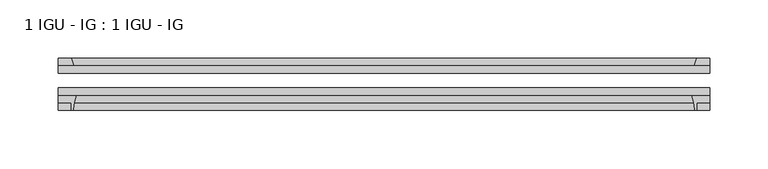
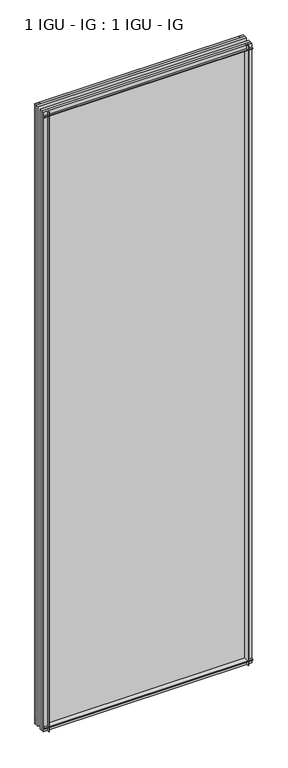
"""IFC4 building model written with IfcOpenShell, lengths in millimetres: plate geometry, 1 IGU - IG : 1 IGU - IG."""

from ifc_helpers import new_model, si_unit, point, frame, frame_2d, origin, place, context, project, spatial, polyline, circle_curve, trimmed, segment, composite_curve, outline, extrude, source, transform, mapped, element, save


def plate_1_igu_ig_1_igu_ig_00c2da52(model_context):
    return source(origin(), model_context, "Body", "SweptSolid", [
        extrude(outline(polyline([(260.35, -31.75), (260.35, -38.1), (-298.45, -38.1), (-298.45, -31.75), (260.35, -31.75)])), frame((0.0, 0.0, -11.1125), z_axis=(0.0, 0.0, 1.0), x_axis=(1.0, 0.0, 0.0)), (0.0, 0.0, 1.0), 1755.775),
        extrude(outline(polyline([(-298.45, -12.7), (260.35, -12.7), (260.35, -19.05), (-298.45, -19.05), (-298.45, -12.7)])), frame((0.0, 0.0, -11.1125), z_axis=(0.0, 0.0, 1.0), x_axis=(1.0, 0.0, 0.0)), (0.0, 0.0, 1.0), 1755.775),
        extrude(outline(composite_curve([segment(polyline([(-298.45, -38.1), (-283.1563207, -38.1)]), True, "CONTINUOUS"), segment(trimmed(circle_curve(frame_2d((-239.8973044, -53.3794536)), 45.8781451), [point((-283.1563207, -38.1))], [point((-285.6575572, -50.0925922))], True, "CARTESIAN"), True, "CONTINUOUS"), segment(trimmed(circle_curve(frame_2d((-286.4175991, -50.038)), 0.762), [point((-285.6575572, -50.0925922))], [point((-286.4175991, -50.8))], False, "CARTESIAN"), True, "CONTINUOUS"), segment(polyline([(-286.4175991, -50.8), (-287.3375, -50.8), (-287.3375, -44.45), (-298.45, -44.45), (-298.45, -38.1)]), True, "CONTINUOUS")], self_intersect=False)), frame((0.0, 0.0, -11.1125), z_axis=(0.0, 0.0, 1.0), x_axis=(1.0, 0.0, 0.0)), (0.0, 0.0, 1.0), 1755.775),
        extrude(outline(polyline([(-285.2322229, -12.7), (-298.45, -12.7), (-298.45, -6.35), (-287.3375, -6.35), (-285.2322229, -12.7)])), frame((0.0, 0.0, -11.1125), z_axis=(0.0, 0.0, 1.0), x_axis=(1.0, 0.0, 0.0)), (0.0, 0.0, 1.0), 1755.775),
        extrude(outline(polyline([(260.35, -12.7), (247.1322229, -12.7), (249.2375, -6.35), (260.35, -6.35), (260.35, -12.7)])), frame((0.0, 0.0, -11.1125), z_axis=(0.0, 0.0, 1.0), x_axis=(1.0, 0.0, 0.0)), (0.0, 0.0, 1.0), 1755.775),
        extrude(outline(composite_curve([segment(polyline([(245.0563207, -38.1), (260.35, -38.1), (260.35, -44.45), (249.2375, -44.45), (249.2375, -50.8), (248.3175991, -50.8)]), True, "CONTINUOUS"), segment(trimmed(circle_curve(frame_2d((248.3175991, -50.038)), 0.762), [point((248.3175991, -50.8))], [point((247.5575572, -50.0925922))], False, "CARTESIAN"), True, "CONTINUOUS"), segment(trimmed(circle_curve(frame_2d((201.7973044, -53.3794536)), 45.8781451), [point((247.5575572, -50.0925922))], [point((245.0563207, -38.1))], True, "CARTESIAN"), True, "CONTINUOUS")], self_intersect=False)), frame((0.0, 0.0, -11.1125), z_axis=(0.0, 0.0, 1.0), x_axis=(1.0, 0.0, 0.0)), (0.0, 0.0, 1.0), 1755.775),
        extrude(outline(polyline([(-12.7, -11.1125), (-12.7, 2.1052771), (-6.35, 0.0), (-6.35, -11.1125), (-12.7, -11.1125)])), frame((-298.45, 0.0, 0.0), z_axis=(1.0, 0.0, 0.0), x_axis=(0.0, 1.0, 0.0)), (0.0, 0.0, 1.0), 558.8),
        extrude(outline(composite_curve([segment(polyline([(-38.1, 4.1811793), (-38.1, -11.1125), (-44.45, -11.1125), (-44.45, 0.0), (-50.8, 0.0), (-50.8, 0.9199009)]), True, "CONTINUOUS"), segment(trimmed(circle_curve(frame_2d((-50.038, 0.9199009)), 0.762), [point((-50.8, 0.9199009))], [point((-50.0925922, 1.6799428))], False, "CARTESIAN"), True, "CONTINUOUS"), segment(trimmed(circle_curve(frame_2d((-53.3794536, 47.4401956)), 45.8781451), [point((-50.0925922, 1.6799428))], [point((-38.1, 4.1811793))], True, "CARTESIAN"), True, "CONTINUOUS")], self_intersect=False)), frame((-298.45, 0.0, 0.0), z_axis=(1.0, 0.0, 0.0), x_axis=(0.0, 1.0, 0.0)), (0.0, 0.0, 1.0), 558.8),
        extrude(outline(polyline([(-6.35, 1733.55), (-12.7, 1731.4447229), (-12.7, 1744.6625), (-6.35, 1744.6625), (-6.35, 1733.55)])), frame((-298.45, 0.0, 0.0), z_axis=(1.0, 0.0, 0.0), x_axis=(0.0, 1.0, 0.0)), (0.0, 0.0, 1.0), 558.8),
        extrude(outline(composite_curve([segment(polyline([(-38.1, 1744.6625), (-38.1, 1729.3688207)]), True, "CONTINUOUS"), segment(trimmed(circle_curve(frame_2d((-53.3794536, 1686.1098044)), 45.8781451), [point((-38.1, 1729.3688207))], [point((-50.0925922, 1731.8700572))], True, "CARTESIAN"), True, "CONTINUOUS"), segment(trimmed(circle_curve(frame_2d((-50.038, 1732.6300991)), 0.762), [point((-50.0925922, 1731.8700572))], [point((-50.8, 1732.6300991))], False, "CARTESIAN"), True, "CONTINUOUS"), segment(polyline([(-50.8, 1732.6300991), (-50.8, 1733.55), (-44.45, 1733.55), (-44.45, 1744.6625), (-38.1, 1744.6625)]), True, "CONTINUOUS")], self_intersect=False)), frame((-298.45, 0.0, 0.0), z_axis=(1.0, 0.0, 0.0), x_axis=(0.0, 1.0, 0.0)), (0.0, 0.0, 1.0), 558.8),
    ])


if __name__ == "__main__":
    model = new_model("IFC4")
    model_context = context("Model", 3, world=origin())
    ifc_project = project(units=[si_unit("LENGTHUNIT", "METRE", prefix="MILLI")], contexts=[model_context])
    site = spatial("IfcSite", under=ifc_project)
    building = spatial("IfcBuilding", under=site)
    placement = place(None, origin())
    plate_1_igu_ig_1_igu_ig_shape = plate_1_igu_ig_1_igu_ig_00c2da52(model_context)
    element("IfcPlate", 1, ObjectType="1 IGU - IG : 1 IGU - IG", at=placement, inside=building, context=model_context, shape_type="MappedRepresentation", body=[
        mapped(plate_1_igu_ig_1_igu_ig_shape, transform((0.0, 0.0, 0.0), x_axis=(1.0, 0.0, 0.0), y_axis=(0.0, 1.0, 0.0), z_axis=(0.0, 0.0, 1.0))),
    ])
    save(model, "model.ifc")
